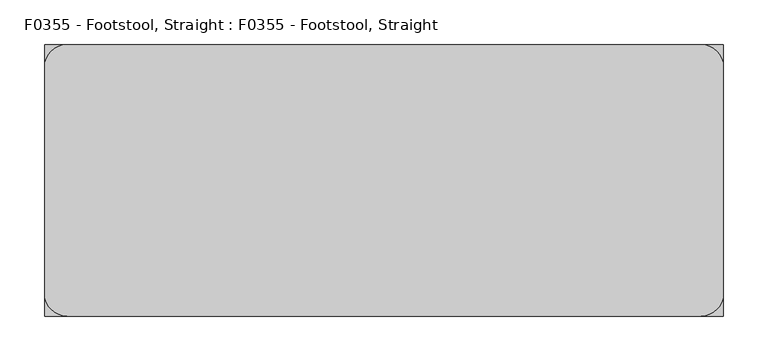
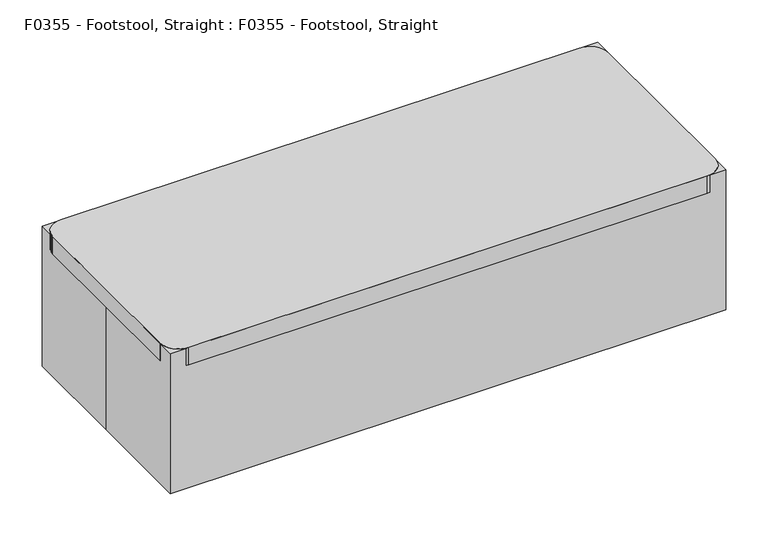
"""IFC4 building model written with IfcOpenShell, lengths in millimetres: proxy geometry, F0355 - Footstool, Straight : F0355 - Footstool, Straight."""

from ifc_helpers import new_model, si_unit, point, frame, frame_2d, origin, origin_with_axes, place, context, project, spatial, polyline, circle_curve, trimmed, segment, composite_curve, outline, extrude, source, transform, mapped, element, save


def f0355_footstool_straight_f0355_footstool_straight_b2f06d33(model_context):
    return source(origin(), model_context, "Body", "SweptSolid", [
        extrude(outline(composite_curve([segment(trimmed(circle_curve(frame_2d((-333.6173743, 106.4770511)), 19.05), [point((-352.6673743, 106.4770511))], [point((-314.5673743, 106.4770511))], False, "CARTESIAN"), True, "CONTINUOUS"), segment(trimmed(circle_curve(frame_2d((-333.6173743, 106.4770511)), 19.05), [point((-314.5673743, 106.4770511))], [point((-352.6673743, 106.4770511))], False, "CARTESIAN"), True, "CONTINUOUS")], self_intersect=False)), origin_with_axes(), (0.0, 0.0, 1.0), 177.8),
        extrude(outline(composite_curve([segment(polyline([(-381.0, -127.0), (-381.0, 127.0)]), True, "CONTINUOUS"), segment(trimmed(circle_curve(frame_2d((-355.6, 127.0)), 25.4), [point((-381.0, 127.0))], [point((-355.6, 152.4))], False, "CARTESIAN"), True, "CONTINUOUS"), segment(polyline([(-355.6, 152.4), (355.6, 152.4)]), True, "CONTINUOUS"), segment(trimmed(circle_curve(frame_2d((355.6, 127.0)), 25.4), [point((355.6, 152.4))], [point((381.0, 127.0))], False, "CARTESIAN"), True, "CONTINUOUS"), segment(polyline([(381.0, 127.0), (381.0, -127.0)]), True, "CONTINUOUS"), segment(trimmed(circle_curve(frame_2d((355.6, -127.0)), 25.4), [point((381.0, -127.0))], [point((355.6, -152.4))], False, "CARTESIAN"), True, "CONTINUOUS"), segment(polyline([(355.6, -152.4), (-355.6, -152.4)]), True, "CONTINUOUS"), segment(trimmed(circle_curve(frame_2d((-355.6, -127.0)), 25.4), [point((-355.6, -152.4))], [point((-381.0, -127.0))], False, "CARTESIAN"), True, "CONTINUOUS")], self_intersect=False)), frame((0.0, 0.0, 177.8), z_axis=(0.0, 0.0, 1.0), x_axis=(1.0, 0.0, 0.0)), (0.0, 0.0, 1.0), 25.4),
        extrude(outline(composite_curve([segment(trimmed(circle_curve(frame_2d((333.6173743, -109.4229489)), 19.05), [point((314.5673743, -109.4229489))], [point((352.6673743, -109.4229489))], False, "CARTESIAN"), True, "CONTINUOUS"), segment(trimmed(circle_curve(frame_2d((333.6173743, -109.4229489)), 19.05), [point((352.6673743, -109.4229489))], [point((314.5673743, -109.4229489))], False, "CARTESIAN"), True, "CONTINUOUS")], self_intersect=False)), origin_with_axes(), (0.0, 0.0, 1.0), 177.8),
        extrude(outline(composite_curve([segment(trimmed(circle_curve(frame_2d((-333.6173743, -109.4229489)), 19.05), [point((-352.6673743, -109.4229489))], [point((-314.5673743, -109.4229489))], False, "CARTESIAN"), True, "CONTINUOUS"), segment(trimmed(circle_curve(frame_2d((-333.6173743, -109.4229489)), 19.05), [point((-314.5673743, -109.4229489))], [point((-352.6673743, -109.4229489))], False, "CARTESIAN"), True, "CONTINUOUS")], self_intersect=False)), origin_with_axes(), (0.0, 0.0, 1.0), 177.8),
        extrude(outline(composite_curve([segment(trimmed(circle_curve(frame_2d((333.6173743, 106.4770511)), 19.05), [point((314.5673743, 106.4770511))], [point((352.6673743, 106.4770511))], False, "CARTESIAN"), True, "CONTINUOUS"), segment(trimmed(circle_curve(frame_2d((333.6173743, 106.4770511)), 19.05), [point((352.6673743, 106.4770511))], [point((314.5673743, 106.4770511))], False, "CARTESIAN"), True, "CONTINUOUS")], self_intersect=False)), origin_with_axes(), (0.0, 0.0, 1.0), 177.8),
        extrude(outline(polyline([(-381.0, -152.4), (-381.0, 0.0), (-381.0, 152.4), (381.0, 152.4), (381.0, -152.4), (-381.0, -152.4)])), origin_with_axes(), (0.0, 0.0, 1.0), 203.2),
    ])


if __name__ == "__main__":
    model = new_model("IFC4")
    model_context = context("Model", 3, world=origin())
    ifc_project = project(units=[si_unit("LENGTHUNIT", "METRE", prefix="MILLI")], contexts=[model_context])
    site = spatial("IfcSite", under=ifc_project)
    building = spatial("IfcBuilding", under=site)
    placement = place(None, origin())
    f0355_footstool_straight_f0355_footstool_straight_shape = f0355_footstool_straight_f0355_footstool_straight_b2f06d33(model_context)
    element("IfcBuildingElementProxy", 1, Name="F0355 - Footstool, Straight : F0355 - Footstool, Straight", ObjectType="F0355 - Footstool, Straight : F0355 - Footstool, Straight", at=placement, inside=building, context=model_context, shape_type="MappedRepresentation", body=[
        mapped(f0355_footstool_straight_f0355_footstool_straight_shape, transform((0.0, 0.0, 0.0), x_axis=(1.0, 0.0, 0.0), y_axis=(0.0, 1.0, 0.0), z_axis=(0.0, 0.0, 1.0))),
    ])
    save(model, "model.ifc")
